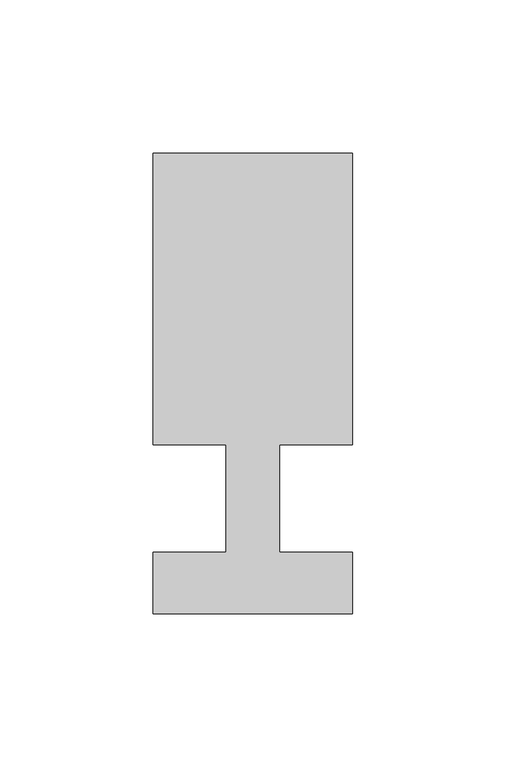
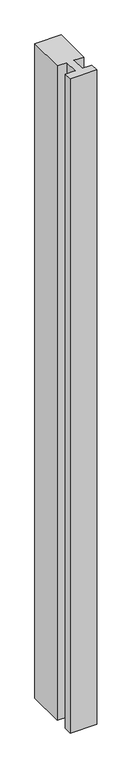
"""IFC4 building model written with IfcOpenShell, lengths in millimetres: member geometry."""

import ifcopenshell
import ifcopenshell.guid

model = None  # the IFC model being written
_history = None  # IfcOwnerHistory: only IFC2X3 demands one
_inside = {}  # id of a spatial element -> (the spatial element, [elements in it])
_under = {}  # id of a project, library or spatial element -> (it, [spatial elements below it])
_declared = {}  # id of a project -> (the project, [libraries it declares])
_typed = {}  # id of a type object -> (the type object, [elements of that type])
_made_of = {}  # id of a material, layer set ... -> (it, [elements and type objects made of it])


def new_model(schema):
    """Start an empty IFC model of exactly this schema.

    Asked for "IFC4X3", IfcOpenShell would pick the latest addendum, in which some entities
    have other attributes; the version numbers below select the first issue.
    IFC2X3 requires an IfcOwnerHistory on every rooted entity: one is made here for all.
    """
    global model, _history
    if schema == "IFC4X3":
        model = ifcopenshell.file(schema_version=(4, 3, 0, 0))
    else:
        model = ifcopenshell.file(schema=schema)
    _inside.clear()
    _under.clear()
    _declared.clear()
    _typed.clear()
    _made_of.clear()
    _history = None
    if model.schema == "IFC2X3":
        org = make("IfcOrganization", Name="unknown")
        user = make(
            "IfcPersonAndOrganization",
            ThePerson=make("IfcPerson", FamilyName="unknown"),
            TheOrganization=org,
        )
        app = make(
            "IfcApplication",
            ApplicationDeveloper=org,
            Version="unknown",
            ApplicationFullName="unknown",
            ApplicationIdentifier="unknown",
        )
        _history = make(
            "IfcOwnerHistory",
            OwningUser=user,
            OwningApplication=app,
            ChangeAction="ADDED",
            CreationDate=0,
        )
    return model


def make(cls, **values):
    """One entity of the class cls with the attributes given. An attribute that is None is left unset."""
    return model.create_entity(
        cls, **{name: value for name, value in values.items() if value is not None}
    )


def rooted(cls, **values):
    """An entity with a GlobalId (a new one), such as an element, a storey or a relation."""
    return make(cls, GlobalId=ifcopenshell.guid.new(), OwnerHistory=_history, **values)


def si_unit(unit_type, name, prefix=None):
    """IfcSIUnit, for example si_unit("LENGTHUNIT", "METRE", prefix="MILLI")."""
    return make("IfcSIUnit", UnitType=unit_type, Prefix=prefix, Name=name)


def assignment(units):
    """IfcUnitAssignment: the units of a project."""
    return None if units is None else make("IfcUnitAssignment", Units=units)


def point(xyz):
    """IfcCartesianPoint."""
    return None if xyz is None else make("IfcCartesianPoint", Coordinates=xyz)


def direction(xyz):
    """IfcDirection."""
    return None if xyz is None else make("IfcDirection", DirectionRatios=xyz)


def frame(location, z_axis=None, x_axis=None):
    """IfcAxis2Placement3D, a coordinate frame: its origin and axes. An axis left out is left unset."""
    return make(
        "IfcAxis2Placement3D",
        Location=point(location),
        Axis=direction(z_axis),
        RefDirection=direction(x_axis),
    )


def origin():
    """The frame at (0, 0, 0) with its axes left unset."""
    return frame((0.0, 0.0, 0.0))


def place(relative_to, where):
    """IfcLocalPlacement: puts the frame where relative to a parent placement (None: the world)."""
    return make(
        "IfcLocalPlacement", PlacementRelTo=relative_to, RelativePlacement=where
    )


def context(
    kind, dimensions, precision=None, world=None, true_north=None, identifier=None
):
    """IfcGeometricRepresentationContext, for example the 3D "Model" context."""
    return make(
        "IfcGeometricRepresentationContext",
        ContextIdentifier=identifier,
        ContextType=kind,
        CoordinateSpaceDimension=dimensions,
        Precision=precision,
        WorldCoordinateSystem=world,
        TrueNorth=true_north,
    )


def project(units=None, contexts=None):
    """IfcProject with its units and contexts."""
    return rooted(
        "IfcProject",
        Name="project",
        RepresentationContexts=contexts,
        UnitsInContext=assignment(units),
    )


def spatial(cls, under=None, at=None, **own):
    """A site, building, storey or space (cls), placed at a placement, below another one or the project."""
    s = rooted(cls, ObjectPlacement=at, **own)
    if under is not None:
        _under.setdefault(under.id(), (under, []))[1].append(s)
    return s


def polyline(points):
    """IfcPolyline through the points."""
    return make("IfcPolyline", Points=[point(p) for p in points])


def outline(outer, holes=None, kind="AREA"):
    """IfcArbitraryClosedProfileDef: a profile drawn as a closed curve; with holes, ...WithVoids."""
    if holes is None:
        return make("IfcArbitraryClosedProfileDef", ProfileType=kind, OuterCurve=outer)
    return make(
        "IfcArbitraryProfileDefWithVoids",
        ProfileType=kind,
        OuterCurve=outer,
        InnerCurves=holes,
    )


def extrude(swept, where, along, depth):
    """IfcExtrudedAreaSolid: the profile swept, set in the frame where, extruded along a direction by depth."""
    return make(
        "IfcExtrudedAreaSolid",
        SweptArea=swept,
        Position=where,
        ExtrudedDirection=direction(along),
        Depth=depth,
    )


def shape(context_of_items, identifier, shape_type, items):
    """IfcShapeRepresentation: the items that make up one representation, for example the "Body"."""
    return make(
        "IfcShapeRepresentation",
        ContextOfItems=context_of_items,
        RepresentationIdentifier=identifier,
        RepresentationType=shape_type,
        Items=items,
    )


def source(mapping_origin, context_of_items, identifier, shape_type, items):
    """IfcRepresentationMap: a shape defined once, which mapped items show again and again."""
    return make(
        "IfcRepresentationMap",
        MappingOrigin=mapping_origin,
        MappedRepresentation=shape(context_of_items, identifier, shape_type, items),
    )


def transform(
    local_origin,
    x_axis=None,
    y_axis=None,
    z_axis=None,
    scale=None,
    scale2=None,
    scale3=None,
    uniform=True,
):
    """IfcCartesianTransformationOperator3D, or its non-uniform kind. x_axis, y_axis, z_axis: its Axis1, 2, 3."""
    if uniform:
        return make(
            "IfcCartesianTransformationOperator3D",
            Axis1=direction(x_axis),
            Axis2=direction(y_axis),
            LocalOrigin=point(local_origin),
            Scale=scale,
            Axis3=direction(z_axis),
        )
    return make(
        "IfcCartesianTransformationOperator3DnonUniform",
        Axis1=direction(x_axis),
        Axis2=direction(y_axis),
        LocalOrigin=point(local_origin),
        Scale=scale,
        Axis3=direction(z_axis),
        Scale2=scale2,
        Scale3=scale3,
    )


def mapped(mapping_source, mapping_target):
    """IfcMappedItem: shows the shape of a source again, moved by a transform."""
    return make(
        "IfcMappedItem", MappingSource=mapping_source, MappingTarget=mapping_target
    )


def made_of(thing, what):
    """Note that an element or type object is made of a material, layer set ...; save() writes the relation."""
    if what is not None:
        _made_of.setdefault(what.id(), (what, []))[1].append(thing)
    return thing


def element(
    cls,
    number,
    at=None,
    inside=None,
    cuts=None,
    type_object=None,
    material=None,
    context=None,
    identifier="Body",
    shape_type=None,
    held_by="IfcProductDefinitionShape",
    body=None,
    shapes=None,
    **own,
):
    """One element of the class cls, such as IfcWall. Its Tag is "e" and its number.

    at: its placement. inside: the storey or other place that contains it. cuts: it is an
    opening in that element (IfcRelVoidsElement). A single representation is given by context,
    identifier, shape_type and body (its items); several are given by shapes. held_by: the class
    of the entity that holds the representations. save() writes the other relations.
    """
    e = rooted(cls, Tag="e%d" % number, ObjectPlacement=at, **own)
    if body is not None:
        shapes = [shape(context, identifier, shape_type, body)]
    if shapes is not None:
        e.Representation = make(held_by, Representations=shapes)
    if inside is not None:
        _inside.setdefault(inside.id(), (inside, []))[1].append(e)
    if cuts is not None:
        rooted(
            "IfcRelVoidsElement", RelatingBuildingElement=cuts, RelatedOpeningElement=e
        )
    if type_object is not None:
        _typed.setdefault(type_object.id(), (type_object, []))[1].append(e)
    return made_of(e, material)


def aggregate(whole, parts):
    """IfcRelAggregates: a whole, such as a stair, and the parts it consists of."""
    return rooted("IfcRelAggregates", RelatingObject=whole, RelatedObjects=parts)


def save(model, path):
    """Write the relations noted so far, then the file.

    IfcRelAggregates (storeys below a building ...), IfcRelContainedInSpatialStructure (elements
    in a storey), IfcRelDefinesByType, IfcRelAssociatesMaterial and IfcRelDeclares: one each for
    every whole, place, type object, material and project.
    """
    for whole, parts in _under.values():
        aggregate(whole, parts)
    for where, things in _inside.values():
        rooted(
            "IfcRelContainedInSpatialStructure",
            RelatedElements=things,
            RelatingStructure=where,
        )
    for kind, things in _typed.values():
        rooted("IfcRelDefinesByType", RelatedObjects=things, RelatingType=kind)
    for what, things in _made_of.values():
        rooted("IfcRelAssociatesMaterial", RelatedObjects=things, RelatingMaterial=what)
    for by, libraries in _declared.values():
        rooted("IfcRelDeclares", RelatingContext=by, RelatedDefinitions=libraries)
    model.write(path)


def member_9c5e7be1(model_context):
    return source(origin(), model_context, "Body", "SweptSolid", [
        extrude(outline(polyline([(0.0, -37.0), (-65.0, -37.0), (-65.0, -17.0), (-41.1875, -17.0), (-41.1875, 18.0), (-65.0, 18.0), (-65.0, 113.0), (0.0, 113.0), (0.0, 18.0), (-23.8125, 18.0), (-23.8125, -17.0), (0.0, -17.0), (0.0, -37.0)])), frame((0.0, 0.0, -1700.0), z_axis=(0.0, 0.0, 1.0), x_axis=(1.0, 0.0, 0.0)), (0.0, 0.0, 1.0), 1700.0),
    ])


if __name__ == "__main__":
    model = new_model("IFC4")
    model_context = context("Model", 3, world=origin())
    ifc_project = project(units=[si_unit("LENGTHUNIT", "METRE", prefix="MILLI")], contexts=[model_context])
    site = spatial("IfcSite", under=ifc_project)
    building = spatial("IfcBuilding", under=site)
    placement = place(None, origin())
    member_shape = member_9c5e7be1(model_context)
    element("IfcMember", 1, at=placement, inside=building, context=model_context, shape_type="MappedRepresentation", body=[
        mapped(member_shape, transform((0.0, 0.0, 0.0), x_axis=(1.0, 0.0, 0.0), y_axis=(0.0, 1.0, 0.0), z_axis=(0.0, 0.0, 1.0))),
    ])
    save(model, "model.ifc")
